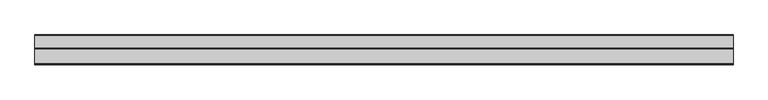
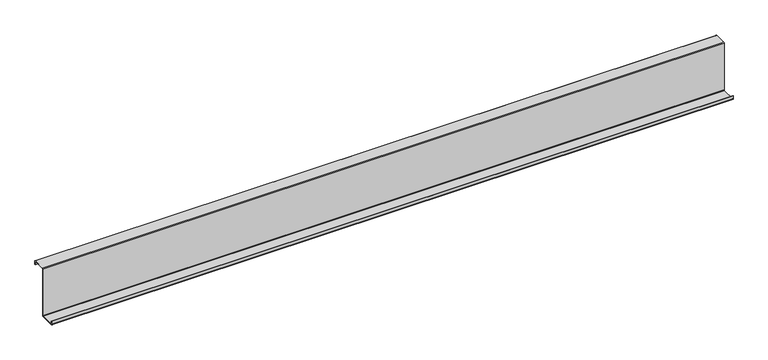
"""IFC4 building model written with IfcOpenShell, lengths in millimetres: member geometry."""

from ifc_helpers import new_model, si_unit, point, frame, frame_2d, origin, place, context, project, spatial, polyline, circle_curve, trimmed, segment, composite_curve, outline, extrude, source, transform, mapped, element, save


def member_3da26ecb(model_context):
    return source(origin(), model_context, "Body", "SweptSolid", [
        extrude(outline(composite_curve([segment(trimmed(circle_curve(frame_2d((-3.5, -123.5)), 3.5), [point((0.0, -123.5))], [point((-3.5, -127.0))], False, "CARTESIAN"), True, "CONTINUOUS"), segment(polyline([(-3.5, -127.0), (-75.0, -127.0)]), True, "CONTINUOUS"), segment(trimmed(circle_curve(frame_2d((-75.0, -123.5)), 3.5), [point((-75.0, -127.0))], [point((-78.5, -123.5))], False, "CARTESIAN"), True, "CONTINUOUS"), segment(polyline([(-78.5, -123.5), (-78.5, -107.5), (-77.0, -107.5), (-77.0, -123.5)]), True, "CONTINUOUS"), segment(trimmed(circle_curve(frame_2d((-75.0, -123.5)), 2.0), [point((-77.0, -123.5))], [point((-75.0, -125.5))], True, "CARTESIAN"), True, "CONTINUOUS"), segment(polyline([(-75.0, -125.5), (-3.5, -125.5)]), True, "CONTINUOUS"), segment(trimmed(circle_curve(frame_2d((-3.5, -123.5)), 2.0), [point((-3.5, -125.5))], [point((-1.5, -123.5))], True, "CARTESIAN"), True, "CONTINUOUS"), segment(polyline([(-1.5, -123.5), (-1.5, 123.5)]), True, "CONTINUOUS"), segment(trimmed(circle_curve(frame_2d((2.0, 123.5)), 3.5), [point((-1.5, 123.5))], [point((2.0, 127.0))], False, "CARTESIAN"), True, "CONTINUOUS"), segment(polyline([(2.0, 127.0), (63.5, 127.0)]), True, "CONTINUOUS"), segment(trimmed(circle_curve(frame_2d((63.5, 123.5)), 3.5), [point((63.5, 127.0))], [point((67.0, 123.5))], False, "CARTESIAN"), True, "CONTINUOUS"), segment(polyline([(67.0, 123.5), (67.0, 107.0), (65.5, 107.0), (65.5, 123.5)]), True, "CONTINUOUS"), segment(trimmed(circle_curve(frame_2d((63.5, 123.5)), 2.0), [point((65.5, 123.5))], [point((63.5, 125.5))], True, "CARTESIAN"), True, "CONTINUOUS"), segment(polyline([(63.5, 125.5), (2.0, 125.5)]), True, "CONTINUOUS"), segment(trimmed(circle_curve(frame_2d((2.0, 123.5)), 2.0), [point((2.0, 125.5))], [point((0.0, 123.5))], True, "CARTESIAN"), True, "CONTINUOUS"), segment(polyline([(0.0, 123.5), (0.0, -123.5)]), True, "CONTINUOUS")], self_intersect=False)), frame((-1710.0, 0.0, 0.0), z_axis=(1.0, 0.0, 0.0), x_axis=(0.0, 1.0, 0.0)), (0.0, 0.0, 1.0), 3420.0),
    ])


if __name__ == "__main__":
    model = new_model("IFC4")
    model_context = context("Model", 3, world=origin())
    ifc_project = project(units=[si_unit("LENGTHUNIT", "METRE", prefix="MILLI")], contexts=[model_context])
    site = spatial("IfcSite", under=ifc_project)
    building = spatial("IfcBuilding", under=site)
    placement = place(None, origin())
    member_shape = member_3da26ecb(model_context)
    element("IfcMember", 1, at=placement, inside=building, context=model_context, shape_type="MappedRepresentation", body=[
        mapped(member_shape, transform((0.0, 0.0, 0.0), x_axis=(1.0, 0.0, 0.0), y_axis=(0.0, 1.0, 0.0), z_axis=(0.0, 0.0, 1.0))),
    ])
    save(model, "model.ifc")
